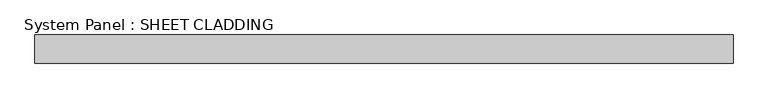
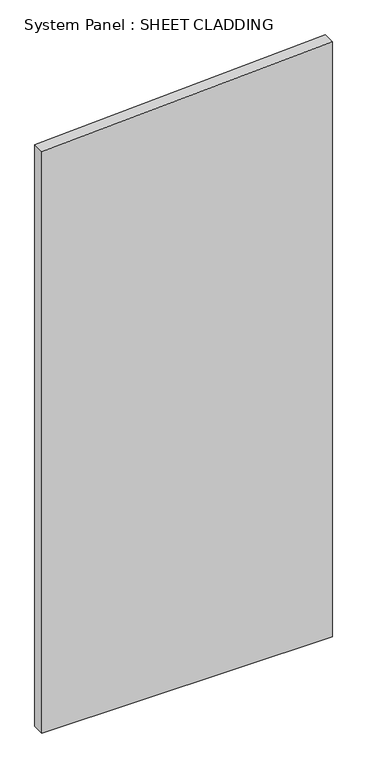
"""IFC4 building model written with IfcOpenShell, lengths in millimetres: plate geometry, System Panel : SHEET CLADDING."""

from ifc_helpers import new_model, si_unit, frame, origin, place, context, project, spatial, polyline, outline, extrude, source, transform, mapped, element, save


def system_panel_sheet_cladding_2b65bac4(model_context):
    return source(origin(), model_context, "Body", "SweptSolid", [
        extrude(outline(polyline([(0.0, -735.4591837), (0.0, 735.4591837), (3182.1918367, 735.4591837), (3108.6459184, -735.4591837), (0.0, -735.4591837)])), frame((0.0, -10.5, 0.0), z_axis=(0.0, 1.0, 0.0), x_axis=(0.0, 0.0, 1.0)), (0.0, 0.0, 1.0), 60.0),
    ])


if __name__ == "__main__":
    model = new_model("IFC4")
    model_context = context("Model", 3, world=origin())
    ifc_project = project(units=[si_unit("LENGTHUNIT", "METRE", prefix="MILLI")], contexts=[model_context])
    site = spatial("IfcSite", under=ifc_project)
    building = spatial("IfcBuilding", under=site)
    placement = place(None, origin())
    system_panel_sheet_cladding_shape = system_panel_sheet_cladding_2b65bac4(model_context)
    element("IfcPlate", 1, ObjectType="System Panel : SHEET CLADDING", at=placement, inside=building, context=model_context, shape_type="MappedRepresentation", body=[
        mapped(system_panel_sheet_cladding_shape, transform((0.0, 0.0, 0.0), x_axis=(1.0, 0.0, 0.0), y_axis=(0.0, 1.0, 0.0), z_axis=(0.0, 0.0, 1.0))),
    ])
    save(model, "model.ifc")
